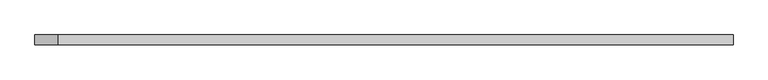
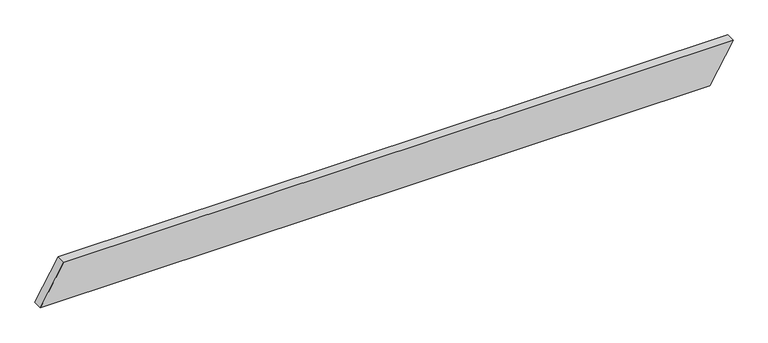
"""IFC4 building model written with IfcOpenShell, lengths in millimetres: beam geometry."""

from ifc_helpers import new_model, si_unit, frame, origin, place, context, project, spatial, polyline, outline, extrude, source, transform, mapped, element, save


def beam_e539632e(model_context):
    return source(origin(), model_context, "Body", "SweptSolid", [
        extrude(outline(polyline([(100.0, 1731.7939822), (100.0, -1615.1273156), (-100.0, -1731.7939822), (-100.0, 1615.1273156), (100.0, 1731.7939822)])), frame((0.0, -24.0, 0.0), z_axis=(0.0, 1.0, 0.0), x_axis=(0.0, 0.0, 1.0)), (0.0, 0.0, 1.0), 48.0),
    ])


if __name__ == "__main__":
    model = new_model("IFC4")
    model_context = context("Model", 3, world=origin())
    ifc_project = project(units=[si_unit("LENGTHUNIT", "METRE", prefix="MILLI")], contexts=[model_context])
    site = spatial("IfcSite", under=ifc_project)
    building = spatial("IfcBuilding", under=site)
    placement = place(None, origin())
    beam_shape = beam_e539632e(model_context)
    element("IfcBeam", 1, at=placement, inside=building, context=model_context, shape_type="MappedRepresentation", body=[
        mapped(beam_shape, transform((0.0, 0.0, 0.0), x_axis=(1.0, 0.0, 0.0), y_axis=(0.0, 1.0, 0.0), z_axis=(0.0, 0.0, 1.0))),
    ])
    save(model, "model.ifc")
